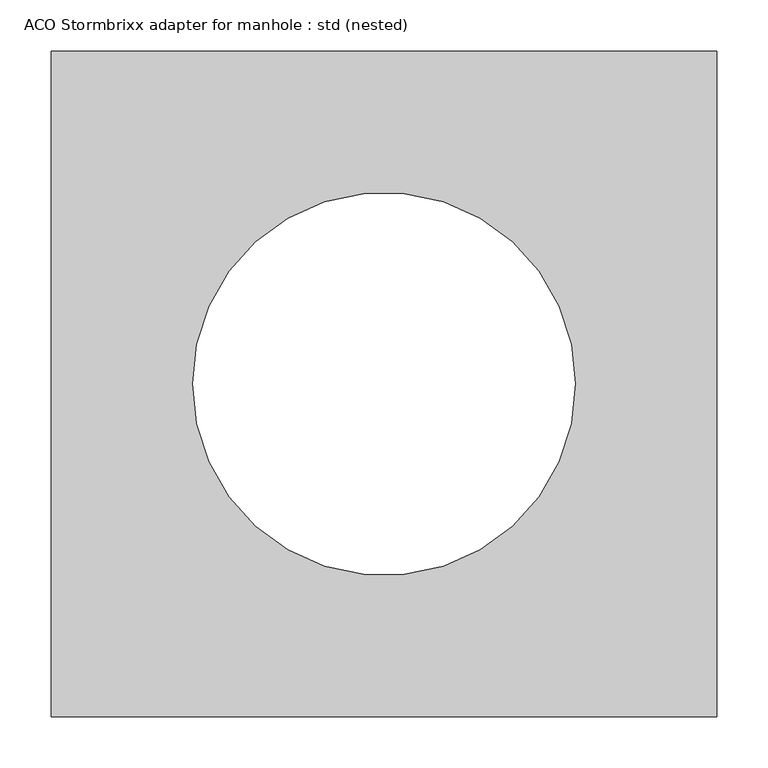
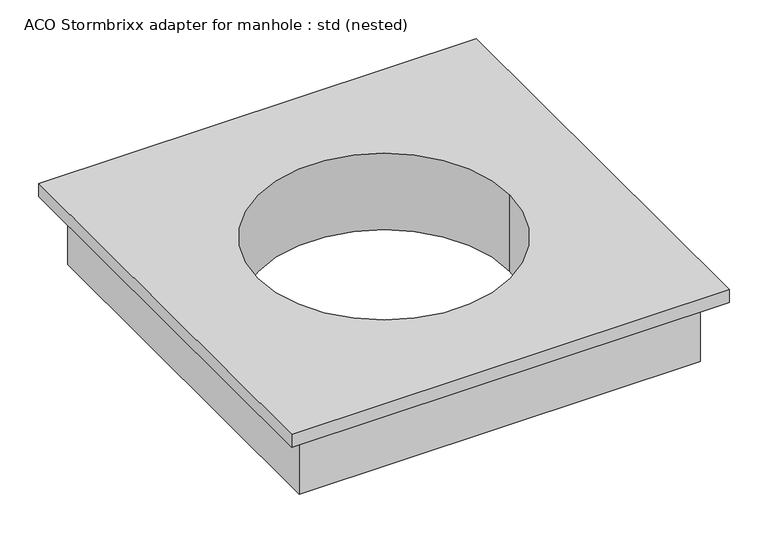
"""IFC4 building model written with IfcOpenShell, lengths in millimetres: unitary equipment geometry, ACO Stormbrixx adapter for manhole : std (nested)."""

import ifcopenshell
import ifcopenshell.guid

model = None  # the IFC model being written
_history = None  # IfcOwnerHistory: only IFC2X3 demands one
_inside = {}  # id of a spatial element -> (the spatial element, [elements in it])
_under = {}  # id of a project, library or spatial element -> (it, [spatial elements below it])
_declared = {}  # id of a project -> (the project, [libraries it declares])
_typed = {}  # id of a type object -> (the type object, [elements of that type])
_made_of = {}  # id of a material, layer set ... -> (it, [elements and type objects made of it])


def new_model(schema):
    """Start an empty IFC model of exactly this schema.

    Asked for "IFC4X3", IfcOpenShell would pick the latest addendum, in which some entities
    have other attributes; the version numbers below select the first issue.
    IFC2X3 requires an IfcOwnerHistory on every rooted entity: one is made here for all.
    """
    global model, _history
    if schema == "IFC4X3":
        model = ifcopenshell.file(schema_version=(4, 3, 0, 0))
    else:
        model = ifcopenshell.file(schema=schema)
    _inside.clear()
    _under.clear()
    _declared.clear()
    _typed.clear()
    _made_of.clear()
    _history = None
    if model.schema == "IFC2X3":
        org = make("IfcOrganization", Name="unknown")
        user = make(
            "IfcPersonAndOrganization",
            ThePerson=make("IfcPerson", FamilyName="unknown"),
            TheOrganization=org,
        )
        app = make(
            "IfcApplication",
            ApplicationDeveloper=org,
            Version="unknown",
            ApplicationFullName="unknown",
            ApplicationIdentifier="unknown",
        )
        _history = make(
            "IfcOwnerHistory",
            OwningUser=user,
            OwningApplication=app,
            ChangeAction="ADDED",
            CreationDate=0,
        )
    return model


def make(cls, **values):
    """One entity of the class cls with the attributes given. An attribute that is None is left unset."""
    return model.create_entity(
        cls, **{name: value for name, value in values.items() if value is not None}
    )


def rooted(cls, **values):
    """An entity with a GlobalId (a new one), such as an element, a storey or a relation."""
    return make(cls, GlobalId=ifcopenshell.guid.new(), OwnerHistory=_history, **values)


def si_unit(unit_type, name, prefix=None):
    """IfcSIUnit, for example si_unit("LENGTHUNIT", "METRE", prefix="MILLI")."""
    return make("IfcSIUnit", UnitType=unit_type, Prefix=prefix, Name=name)


def assignment(units):
    """IfcUnitAssignment: the units of a project."""
    return None if units is None else make("IfcUnitAssignment", Units=units)


def point(xyz):
    """IfcCartesianPoint."""
    return None if xyz is None else make("IfcCartesianPoint", Coordinates=xyz)


def direction(xyz):
    """IfcDirection."""
    return None if xyz is None else make("IfcDirection", DirectionRatios=xyz)


def frame(location, z_axis=None, x_axis=None):
    """IfcAxis2Placement3D, a coordinate frame: its origin and axes. An axis left out is left unset."""
    return make(
        "IfcAxis2Placement3D",
        Location=point(location),
        Axis=direction(z_axis),
        RefDirection=direction(x_axis),
    )


def origin():
    """The frame at (0, 0, 0) with its axes left unset."""
    return frame((0.0, 0.0, 0.0))


def place(relative_to, where):
    """IfcLocalPlacement: puts the frame where relative to a parent placement (None: the world)."""
    return make(
        "IfcLocalPlacement", PlacementRelTo=relative_to, RelativePlacement=where
    )


def context(
    kind, dimensions, precision=None, world=None, true_north=None, identifier=None
):
    """IfcGeometricRepresentationContext, for example the 3D "Model" context."""
    return make(
        "IfcGeometricRepresentationContext",
        ContextIdentifier=identifier,
        ContextType=kind,
        CoordinateSpaceDimension=dimensions,
        Precision=precision,
        WorldCoordinateSystem=world,
        TrueNorth=true_north,
    )


def project(units=None, contexts=None):
    """IfcProject with its units and contexts."""
    return rooted(
        "IfcProject",
        Name="project",
        RepresentationContexts=contexts,
        UnitsInContext=assignment(units),
    )


def spatial(cls, under=None, at=None, **own):
    """A site, building, storey or space (cls), placed at a placement, below another one or the project."""
    s = rooted(cls, ObjectPlacement=at, **own)
    if under is not None:
        _under.setdefault(under.id(), (under, []))[1].append(s)
    return s


def polyline(points):
    """IfcPolyline through the points."""
    return make("IfcPolyline", Points=[point(p) for p in points])


def circle_curve(where, radius):
    """IfcCircle in the frame where."""
    return make("IfcCircle", Position=where, Radius=radius)


def shape(context_of_items, identifier, shape_type, items):
    """IfcShapeRepresentation: the items that make up one representation, for example the "Body"."""
    return make(
        "IfcShapeRepresentation",
        ContextOfItems=context_of_items,
        RepresentationIdentifier=identifier,
        RepresentationType=shape_type,
        Items=items,
    )


def source(mapping_origin, context_of_items, identifier, shape_type, items):
    """IfcRepresentationMap: a shape defined once, which mapped items show again and again."""
    return make(
        "IfcRepresentationMap",
        MappingOrigin=mapping_origin,
        MappedRepresentation=shape(context_of_items, identifier, shape_type, items),
    )


def transform(
    local_origin,
    x_axis=None,
    y_axis=None,
    z_axis=None,
    scale=None,
    scale2=None,
    scale3=None,
    uniform=True,
):
    """IfcCartesianTransformationOperator3D, or its non-uniform kind. x_axis, y_axis, z_axis: its Axis1, 2, 3."""
    if uniform:
        return make(
            "IfcCartesianTransformationOperator3D",
            Axis1=direction(x_axis),
            Axis2=direction(y_axis),
            LocalOrigin=point(local_origin),
            Scale=scale,
            Axis3=direction(z_axis),
        )
    return make(
        "IfcCartesianTransformationOperator3DnonUniform",
        Axis1=direction(x_axis),
        Axis2=direction(y_axis),
        LocalOrigin=point(local_origin),
        Scale=scale,
        Axis3=direction(z_axis),
        Scale2=scale2,
        Scale3=scale3,
    )


def mapped(mapping_source, mapping_target):
    """IfcMappedItem: shows the shape of a source again, moved by a transform."""
    return make(
        "IfcMappedItem", MappingSource=mapping_source, MappingTarget=mapping_target
    )


def made_of(thing, what):
    """Note that an element or type object is made of a material, layer set ...; save() writes the relation."""
    if what is not None:
        _made_of.setdefault(what.id(), (what, []))[1].append(thing)
    return thing


def element(
    cls,
    number,
    at=None,
    inside=None,
    cuts=None,
    type_object=None,
    material=None,
    context=None,
    identifier="Body",
    shape_type=None,
    held_by="IfcProductDefinitionShape",
    body=None,
    shapes=None,
    **own,
):
    """One element of the class cls, such as IfcWall. Its Tag is "e" and its number.

    at: its placement. inside: the storey or other place that contains it. cuts: it is an
    opening in that element (IfcRelVoidsElement). A single representation is given by context,
    identifier, shape_type and body (its items); several are given by shapes. held_by: the class
    of the entity that holds the representations. save() writes the other relations.
    """
    e = rooted(cls, Tag="e%d" % number, ObjectPlacement=at, **own)
    if body is not None:
        shapes = [shape(context, identifier, shape_type, body)]
    if shapes is not None:
        e.Representation = make(held_by, Representations=shapes)
    if inside is not None:
        _inside.setdefault(inside.id(), (inside, []))[1].append(e)
    if cuts is not None:
        rooted(
            "IfcRelVoidsElement", RelatingBuildingElement=cuts, RelatedOpeningElement=e
        )
    if type_object is not None:
        _typed.setdefault(type_object.id(), (type_object, []))[1].append(e)
    return made_of(e, material)


def aggregate(whole, parts):
    """IfcRelAggregates: a whole, such as a stair, and the parts it consists of."""
    return rooted("IfcRelAggregates", RelatingObject=whole, RelatedObjects=parts)


def save(model, path):
    """Write the relations noted so far, then the file.

    IfcRelAggregates (storeys below a building ...), IfcRelContainedInSpatialStructure (elements
    in a storey), IfcRelDefinesByType, IfcRelAssociatesMaterial and IfcRelDeclares: one each for
    every whole, place, type object, material and project.
    """
    for whole, parts in _under.values():
        aggregate(whole, parts)
    for where, things in _inside.values():
        rooted(
            "IfcRelContainedInSpatialStructure",
            RelatedElements=things,
            RelatingStructure=where,
        )
    for kind, things in _typed.values():
        rooted("IfcRelDefinesByType", RelatedObjects=things, RelatingType=kind)
    for what, things in _made_of.values():
        rooted("IfcRelAssociatesMaterial", RelatedObjects=things, RelatingMaterial=what)
    for by, libraries in _declared.values():
        rooted("IfcRelDeclares", RelatingContext=by, RelatedDefinitions=libraries)
    model.write(path)


def plane_surface(at):
    """IfcPlane: the flat surface through the origin of the frame at, square to its z axis."""
    return make("IfcPlane", Position=at)


def revolved_surface(curve, axis_point, axis_direction):
    """IfcSurfaceOfRevolution: the curve turned about the line through axis_point along axis_direction."""
    return make(
        "IfcSurfaceOfRevolution",
        SweptCurve=make("IfcArbitraryOpenProfileDef", ProfileType="CURVE", Curve=curve),
        AxisPosition=make("IfcAxis1Placement", Location=point(axis_point), Axis=direction(axis_direction)),
    )


def advanced_brep(points, edges, surfaces, faces):
    """IfcAdvancedBrep: a solid bounded by faces that lie on surfaces and meet in shared edges.

    An edge is (start, end): straight between two places in points (the first is 0);
    or (start, end, curve); or (start, end, curve, False) where it runs against its curve.
    A face is (place in surfaces, loops), or (place, loops, False) where it looks against
    its surface's normal. A loop lists edges by number (the first is 1), with a minus sign
    where the edge is run from its end to its start. The first loop is the outer one.
    """
    corners = [point(p) for p in points]
    vertices = [make("IfcVertexPoint", VertexGeometry=c) for c in corners]
    made = []
    for start, end, *more in edges:
        made.append(
            make(
                "IfcEdgeCurve",
                EdgeStart=vertices[start],
                EdgeEnd=vertices[end],
                EdgeGeometry=more[0] if more else make("IfcPolyline", Points=[corners[start], corners[end]]),
                SameSense=more[1] if len(more) > 1 else True,
            )
        )
    hull = []
    for where, loops, *sense in faces:
        bounds = []
        for j, loop in enumerate(loops):
            ring = [make("IfcOrientedEdge", EdgeElement=made[abs(k) - 1], Orientation=k > 0) for k in loop]
            bounds.append(
                make(
                    "IfcFaceOuterBound" if j == 0 else "IfcFaceBound",
                    Bound=make("IfcEdgeLoop", EdgeList=ring),
                    Orientation=True,
                )
            )
        hull.append(make("IfcAdvancedFace", Bounds=bounds, FaceSurface=surfaces[where], SameSense=sense[0] if sense else True))
    return make("IfcAdvancedBrep", Outer=make("IfcClosedShell", CfsFaces=hull))


def aco_stormbrixx_adapter_for_manhole_std_nested_c85274e1(model_context):
    return source(origin(), model_context, "Body", "AdvancedBrep", [
        advanced_brep(
        [(298.0, 298.0, -120.0), (298.0, -298.0, -120.0), (-298.0, -298.0, -120.0), (-298.0, 298.0, -120.0), (-187.0, 0.0, -120.0), (187.0, 0.0, -120.0), (325.0, 325.0, 0.0), (-325.0, 325.0, 0.0), (-325.0, -325.0, 0.0), (325.0, -325.0, 0.0), (187.0, 0.0, 0.0), (-187.0, 0.0, 0.0), (325.0, 325.0, -20.1), (325.0, -325.0, -20.1), (-325.0, -325.0, -20.1), (-325.0, 325.0, -20.1), (298.0, 298.0, -20.1), (-298.0, 298.0, -20.1), (-298.0, -298.0, -20.1), (298.0, -298.0, -20.1)],
        [
            (0, 1),
            (1, 2),
            (2, 3),
            (3, 0),
            (4, 5, circle_curve(frame((0.0, 0.0, -120.0), z_axis=(0.0, 0.0, 1.0), x_axis=(1.0, 0.0, 0.0)), 187.0)),
            (5, 4, circle_curve(frame((0.0, 0.0, -120.0), z_axis=(0.0, 0.0, 1.0), x_axis=(1.0, 0.0, 0.0)), 187.0)),
            (6, 7),
            (7, 8),
            (8, 9),
            (9, 6),
            (10, 11, circle_curve(frame((0.0, 0.0, 0.0), z_axis=(0.0, 0.0, -1.0), x_axis=(1.0, 0.0, 0.0)), 187.0)),
            (11, 10, circle_curve(frame((0.0, 0.0, 0.0), z_axis=(0.0, 0.0, -1.0), x_axis=(1.0, 0.0, 0.0)), 187.0)),
            (12, 13),
            (13, 14),
            (14, 15),
            (15, 12),
            (16, 17),
            (17, 18),
            (18, 19),
            (19, 16),
            (6, 12),
            (15, 7),
            (14, 8),
            (13, 9),
            (10, 5),
            (4, 11),
            (3, 17),
            (16, 0),
            (2, 18),
            (1, 19),
        ],
        [
            plane_surface(frame((-298.0, 298.0, -120.0), z_axis=(0.0, 0.0, -1.0), x_axis=(1.0, 0.0, 0.0))),
            plane_surface(frame((-376.495, 325.0, 0.0), z_axis=(0.0, 0.0, 1.0), x_axis=(-1.0, 0.0, 0.0))),
            plane_surface(frame((-376.495, 325.0, -20.1), z_axis=(0.0, 0.0, -1.0), x_axis=(1.0, 0.0, 0.0))),
            plane_surface(frame((325.0, 325.0, 0.0), z_axis=(0.0, 1.0, 0.0), x_axis=(0.0, 0.0, -1.0))),
            plane_surface(frame((-325.0, 325.0, 0.0), z_axis=(-1.0, 0.0, 0.0), x_axis=(0.0, 0.0, -1.0))),
            plane_surface(frame((-325.0, -325.0, 0.0), z_axis=(0.0, -1.0, 0.0), x_axis=(0.0, 0.0, -1.0))),
            plane_surface(frame((325.0, -325.0, 0.0), z_axis=(1.0, 0.0, 0.0), x_axis=(0.0, 0.0, -1.0))),
            revolved_surface(polyline([(187.0, 0.0, 0.0), (187.0, 0.0, -120.0)]), (0.0, 0.0, -120.0), (0.0, 0.0, 1.0)),
            plane_surface(frame((298.0, 298.0, -20.1), z_axis=(0.0, 1.0, 0.0), x_axis=(0.0, 0.0, -1.0))),
            plane_surface(frame((-298.0, 298.0, -20.1), z_axis=(-1.0, 0.0, 0.0), x_axis=(0.0, 0.0, -1.0))),
            plane_surface(frame((-298.0, -298.0, -20.1), z_axis=(0.0, -1.0, 0.0), x_axis=(0.0, 0.0, -1.0))),
            plane_surface(frame((298.0, -298.0, -20.1), z_axis=(1.0, 0.0, 0.0), x_axis=(0.0, 0.0, -1.0))),
        ],
        [
            (0, [[1, 2, 3, 4], [5, 6]]),
            (1, [[7, 8, 9, 10], [11, 12]]),
            (2, [[13, 14, 15, 16], [17, 18, 19, 20]]),
            (3, [[-7, 21, -16, 22]]),
            (4, [[-8, -22, -15, 23]]),
            (5, [[-9, -23, -14, 24]]),
            (6, [[-10, -24, -13, -21]]),
            (7, [[25, -5, 26, -11]]),
            (7, [[-25, -12, -26, -6]]),
            (8, [[-4, 27, -17, 28]]),
            (9, [[-3, 29, -18, -27]]),
            (10, [[-2, 30, -19, -29]]),
            (11, [[-1, -28, -20, -30]]),
        ],
    ),
    ])


if __name__ == "__main__":
    model = new_model("IFC4")
    model_context = context("Model", 3, world=origin())
    ifc_project = project(units=[si_unit("LENGTHUNIT", "METRE", prefix="MILLI")], contexts=[model_context])
    site = spatial("IfcSite", under=ifc_project)
    building = spatial("IfcBuilding", under=site)
    placement = place(None, origin())
    aco_stormbrixx_adapter_for_manhole_std_nested_shape = aco_stormbrixx_adapter_for_manhole_std_nested_c85274e1(model_context)
    element("IfcUnitaryEquipment", 1, ObjectType="ACO Stormbrixx adapter for manhole : std (nested)", at=placement, inside=building, context=model_context, shape_type="MappedRepresentation", body=[
        mapped(aco_stormbrixx_adapter_for_manhole_std_nested_shape, transform((0.0, 0.0, 0.0), x_axis=(1.0, 0.0, 0.0), y_axis=(0.0, 1.0, 0.0), z_axis=(0.0, 0.0, 1.0))),
    ])
    save(model, "model.ifc")
